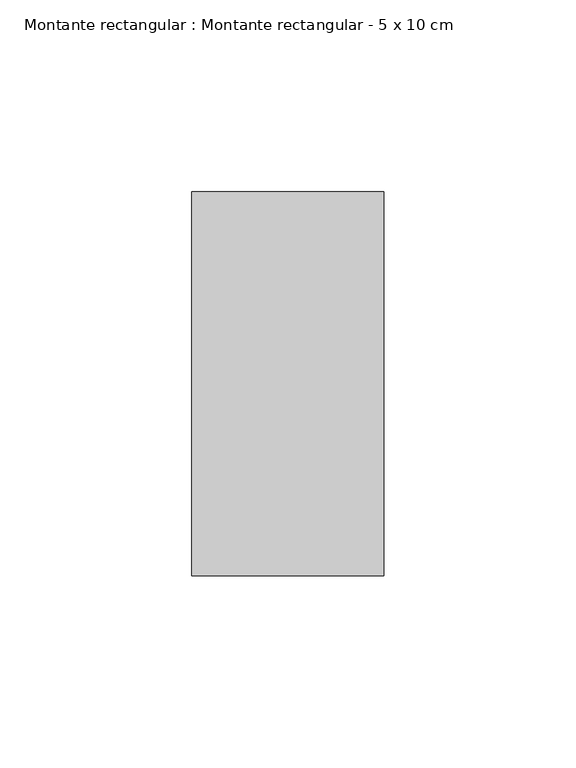
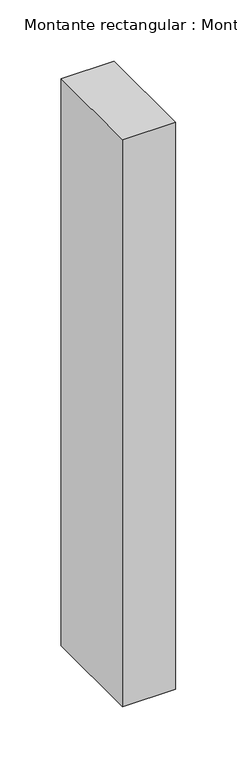
"""IFC4 building model written with IfcOpenShell, lengths in millimetres: member geometry, Montante rectangular : Montante rectangular - 5 x 10 cm."""

from ifc_helpers import new_model, si_unit, frame, origin, place, context, project, spatial, polyline, outline, extrude, source, transform, mapped, element, save


def montante_rectangular_montante_rectangular_5_x_10_cm_a1814ac9(model_context):
    return source(origin(), model_context, "Body", "SweptSolid", [
        extrude(outline(polyline([(25.0, 50.0), (25.0, -50.0), (-25.0, -50.0), (-25.0, 50.0), (25.0, 50.0)])), frame((0.0, 0.0, -564.0), z_axis=(0.0, 0.0, 1.0), x_axis=(1.0, 0.0, 0.0)), (0.0, 0.0, 1.0), 564.0),
    ])


if __name__ == "__main__":
    model = new_model("IFC4")
    model_context = context("Model", 3, world=origin())
    ifc_project = project(units=[si_unit("LENGTHUNIT", "METRE", prefix="MILLI")], contexts=[model_context])
    site = spatial("IfcSite", under=ifc_project)
    building = spatial("IfcBuilding", under=site)
    placement = place(None, origin())
    montante_rectangular_montante_rectangular_5_x_10_cm_shape = montante_rectangular_montante_rectangular_5_x_10_cm_a1814ac9(model_context)
    element("IfcMember", 1, ObjectType="Montante rectangular : Montante rectangular - 5 x 10 cm", at=placement, inside=building, context=model_context, shape_type="MappedRepresentation", body=[
        mapped(montante_rectangular_montante_rectangular_5_x_10_cm_shape, transform((0.0, 0.0, 0.0), x_axis=(1.0, 0.0, 0.0), y_axis=(0.0, 1.0, 0.0), z_axis=(0.0, 0.0, 1.0))),
    ])
    save(model, "model.ifc")
